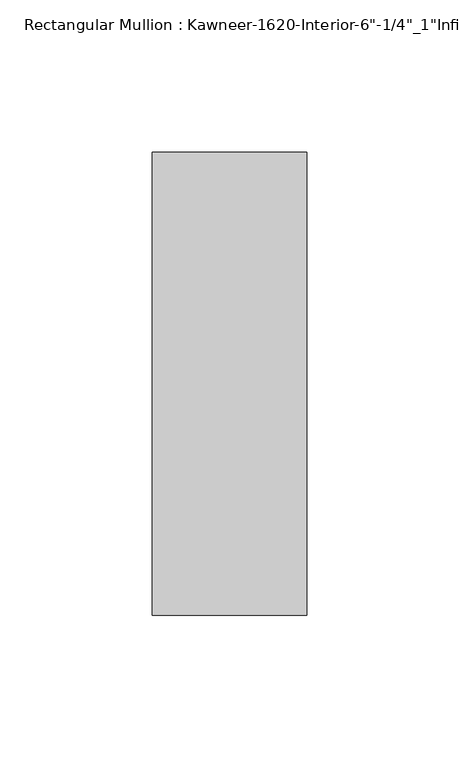
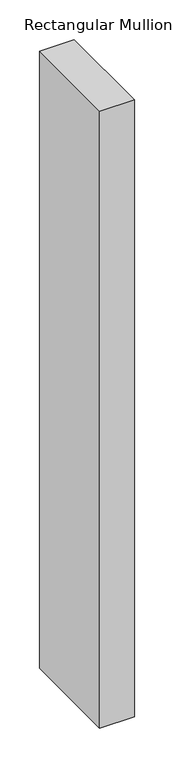
"""IFC4 building model written with IfcOpenShell, lengths in millimetres: member geometry."""

import ifcopenshell
import ifcopenshell.guid

model = None  # the IFC model being written
_history = None  # IfcOwnerHistory: only IFC2X3 demands one
_inside = {}  # id of a spatial element -> (the spatial element, [elements in it])
_under = {}  # id of a project, library or spatial element -> (it, [spatial elements below it])
_declared = {}  # id of a project -> (the project, [libraries it declares])
_typed = {}  # id of a type object -> (the type object, [elements of that type])
_made_of = {}  # id of a material, layer set ... -> (it, [elements and type objects made of it])


def new_model(schema):
    """Start an empty IFC model of exactly this schema.

    Asked for "IFC4X3", IfcOpenShell would pick the latest addendum, in which some entities
    have other attributes; the version numbers below select the first issue.
    IFC2X3 requires an IfcOwnerHistory on every rooted entity: one is made here for all.
    """
    global model, _history
    if schema == "IFC4X3":
        model = ifcopenshell.file(schema_version=(4, 3, 0, 0))
    else:
        model = ifcopenshell.file(schema=schema)
    _inside.clear()
    _under.clear()
    _declared.clear()
    _typed.clear()
    _made_of.clear()
    _history = None
    if model.schema == "IFC2X3":
        org = make("IfcOrganization", Name="unknown")
        user = make(
            "IfcPersonAndOrganization",
            ThePerson=make("IfcPerson", FamilyName="unknown"),
            TheOrganization=org,
        )
        app = make(
            "IfcApplication",
            ApplicationDeveloper=org,
            Version="unknown",
            ApplicationFullName="unknown",
            ApplicationIdentifier="unknown",
        )
        _history = make(
            "IfcOwnerHistory",
            OwningUser=user,
            OwningApplication=app,
            ChangeAction="ADDED",
            CreationDate=0,
        )
    return model


def make(cls, **values):
    """One entity of the class cls with the attributes given. An attribute that is None is left unset."""
    return model.create_entity(
        cls, **{name: value for name, value in values.items() if value is not None}
    )


def rooted(cls, **values):
    """An entity with a GlobalId (a new one), such as an element, a storey or a relation."""
    return make(cls, GlobalId=ifcopenshell.guid.new(), OwnerHistory=_history, **values)


def si_unit(unit_type, name, prefix=None):
    """IfcSIUnit, for example si_unit("LENGTHUNIT", "METRE", prefix="MILLI")."""
    return make("IfcSIUnit", UnitType=unit_type, Prefix=prefix, Name=name)


def assignment(units):
    """IfcUnitAssignment: the units of a project."""
    return None if units is None else make("IfcUnitAssignment", Units=units)


def point(xyz):
    """IfcCartesianPoint."""
    return None if xyz is None else make("IfcCartesianPoint", Coordinates=xyz)


def direction(xyz):
    """IfcDirection."""
    return None if xyz is None else make("IfcDirection", DirectionRatios=xyz)


def frame(location, z_axis=None, x_axis=None):
    """IfcAxis2Placement3D, a coordinate frame: its origin and axes. An axis left out is left unset."""
    return make(
        "IfcAxis2Placement3D",
        Location=point(location),
        Axis=direction(z_axis),
        RefDirection=direction(x_axis),
    )


def origin():
    """The frame at (0, 0, 0) with its axes left unset."""
    return frame((0.0, 0.0, 0.0))


def place(relative_to, where):
    """IfcLocalPlacement: puts the frame where relative to a parent placement (None: the world)."""
    return make(
        "IfcLocalPlacement", PlacementRelTo=relative_to, RelativePlacement=where
    )


def context(
    kind, dimensions, precision=None, world=None, true_north=None, identifier=None
):
    """IfcGeometricRepresentationContext, for example the 3D "Model" context."""
    return make(
        "IfcGeometricRepresentationContext",
        ContextIdentifier=identifier,
        ContextType=kind,
        CoordinateSpaceDimension=dimensions,
        Precision=precision,
        WorldCoordinateSystem=world,
        TrueNorth=true_north,
    )


def project(units=None, contexts=None):
    """IfcProject with its units and contexts."""
    return rooted(
        "IfcProject",
        Name="project",
        RepresentationContexts=contexts,
        UnitsInContext=assignment(units),
    )


def spatial(cls, under=None, at=None, **own):
    """A site, building, storey or space (cls), placed at a placement, below another one or the project."""
    s = rooted(cls, ObjectPlacement=at, **own)
    if under is not None:
        _under.setdefault(under.id(), (under, []))[1].append(s)
    return s


def polyline(points):
    """IfcPolyline through the points."""
    return make("IfcPolyline", Points=[point(p) for p in points])


def outline(outer, holes=None, kind="AREA"):
    """IfcArbitraryClosedProfileDef: a profile drawn as a closed curve; with holes, ...WithVoids."""
    if holes is None:
        return make("IfcArbitraryClosedProfileDef", ProfileType=kind, OuterCurve=outer)
    return make(
        "IfcArbitraryProfileDefWithVoids",
        ProfileType=kind,
        OuterCurve=outer,
        InnerCurves=holes,
    )


def extrude(swept, where, along, depth):
    """IfcExtrudedAreaSolid: the profile swept, set in the frame where, extruded along a direction by depth."""
    return make(
        "IfcExtrudedAreaSolid",
        SweptArea=swept,
        Position=where,
        ExtrudedDirection=direction(along),
        Depth=depth,
    )


def shape(context_of_items, identifier, shape_type, items):
    """IfcShapeRepresentation: the items that make up one representation, for example the "Body"."""
    return make(
        "IfcShapeRepresentation",
        ContextOfItems=context_of_items,
        RepresentationIdentifier=identifier,
        RepresentationType=shape_type,
        Items=items,
    )


def source(mapping_origin, context_of_items, identifier, shape_type, items):
    """IfcRepresentationMap: a shape defined once, which mapped items show again and again."""
    return make(
        "IfcRepresentationMap",
        MappingOrigin=mapping_origin,
        MappedRepresentation=shape(context_of_items, identifier, shape_type, items),
    )


def transform(
    local_origin,
    x_axis=None,
    y_axis=None,
    z_axis=None,
    scale=None,
    scale2=None,
    scale3=None,
    uniform=True,
):
    """IfcCartesianTransformationOperator3D, or its non-uniform kind. x_axis, y_axis, z_axis: its Axis1, 2, 3."""
    if uniform:
        return make(
            "IfcCartesianTransformationOperator3D",
            Axis1=direction(x_axis),
            Axis2=direction(y_axis),
            LocalOrigin=point(local_origin),
            Scale=scale,
            Axis3=direction(z_axis),
        )
    return make(
        "IfcCartesianTransformationOperator3DnonUniform",
        Axis1=direction(x_axis),
        Axis2=direction(y_axis),
        LocalOrigin=point(local_origin),
        Scale=scale,
        Axis3=direction(z_axis),
        Scale2=scale2,
        Scale3=scale3,
    )


def mapped(mapping_source, mapping_target):
    """IfcMappedItem: shows the shape of a source again, moved by a transform."""
    return make(
        "IfcMappedItem", MappingSource=mapping_source, MappingTarget=mapping_target
    )


def made_of(thing, what):
    """Note that an element or type object is made of a material, layer set ...; save() writes the relation."""
    if what is not None:
        _made_of.setdefault(what.id(), (what, []))[1].append(thing)
    return thing


def element(
    cls,
    number,
    at=None,
    inside=None,
    cuts=None,
    type_object=None,
    material=None,
    context=None,
    identifier="Body",
    shape_type=None,
    held_by="IfcProductDefinitionShape",
    body=None,
    shapes=None,
    **own,
):
    """One element of the class cls, such as IfcWall. Its Tag is "e" and its number.

    at: its placement. inside: the storey or other place that contains it. cuts: it is an
    opening in that element (IfcRelVoidsElement). A single representation is given by context,
    identifier, shape_type and body (its items); several are given by shapes. held_by: the class
    of the entity that holds the representations. save() writes the other relations.
    """
    e = rooted(cls, Tag="e%d" % number, ObjectPlacement=at, **own)
    if body is not None:
        shapes = [shape(context, identifier, shape_type, body)]
    if shapes is not None:
        e.Representation = make(held_by, Representations=shapes)
    if inside is not None:
        _inside.setdefault(inside.id(), (inside, []))[1].append(e)
    if cuts is not None:
        rooted(
            "IfcRelVoidsElement", RelatingBuildingElement=cuts, RelatedOpeningElement=e
        )
    if type_object is not None:
        _typed.setdefault(type_object.id(), (type_object, []))[1].append(e)
    return made_of(e, material)


def aggregate(whole, parts):
    """IfcRelAggregates: a whole, such as a stair, and the parts it consists of."""
    return rooted("IfcRelAggregates", RelatingObject=whole, RelatedObjects=parts)


def save(model, path):
    """Write the relations noted so far, then the file.

    IfcRelAggregates (storeys below a building ...), IfcRelContainedInSpatialStructure (elements
    in a storey), IfcRelDefinesByType, IfcRelAssociatesMaterial and IfcRelDeclares: one each for
    every whole, place, type object, material and project.
    """
    for whole, parts in _under.values():
        aggregate(whole, parts)
    for where, things in _inside.values():
        rooted(
            "IfcRelContainedInSpatialStructure",
            RelatedElements=things,
            RelatingStructure=where,
        )
    for kind, things in _typed.values():
        rooted("IfcRelDefinesByType", RelatedObjects=things, RelatingType=kind)
    for what, things in _made_of.values():
        rooted("IfcRelAssociatesMaterial", RelatedObjects=things, RelatingMaterial=what)
    for by, libraries in _declared.values():
        rooted("IfcRelDeclares", RelatingContext=by, RelatedDefinitions=libraries)
    model.write(path)


def member_5afea0ef(model_context):
    return source(origin(), model_context, "Body", "SweptSolid", [
        extrude(outline(polyline([(25.4, -123.825), (-25.4, -123.825), (-25.4, 28.575), (25.4, 28.575), (25.4, -123.825)])), frame((0.0, 0.0, -951.6317631), z_axis=(0.0, 0.0, 1.0), x_axis=(1.0, 0.0, 0.0)), (0.0, 0.0, 1.0), 951.6317631),
    ])


if __name__ == "__main__":
    model = new_model("IFC4")
    model_context = context("Model", 3, world=origin())
    ifc_project = project(units=[si_unit("LENGTHUNIT", "METRE", prefix="MILLI")], contexts=[model_context])
    site = spatial("IfcSite", under=ifc_project)
    building = spatial("IfcBuilding", under=site)
    placement = place(None, origin())
    member_shape = member_5afea0ef(model_context)
    element("IfcMember", 1, ObjectType="Rectangular Mullion : Kawneer-1620-Interior-6\"-1/4\"_1\"Infill", at=placement, inside=building, context=model_context, shape_type="MappedRepresentation", body=[
        mapped(member_shape, transform((0.0, 0.0, 0.0), x_axis=(1.0, 0.0, 0.0), y_axis=(0.0, 1.0, 0.0), z_axis=(0.0, 0.0, 1.0))),
    ])
    save(model, "model.ifc")
